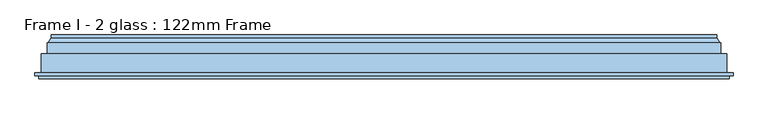
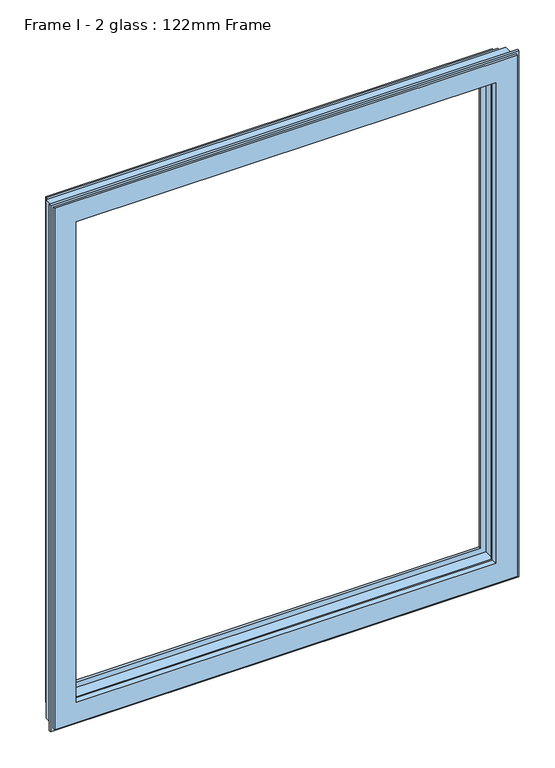
"""IFC4 building model written with IfcOpenShell, lengths in millimetres: window geometry, Frame I - 2 glass : 122mm Frame."""

from ifc_helpers import new_model, si_unit, frame, origin, place, context, project, spatial, polyline, ellipse_curve, source, transform, mapped, element, save
from ifc_brep_helpers import plane_surface, cylinder_surface, revolved_surface, advanced_brep


def frame_i_2_glass_122mm_frame_6008b08a(model_context):
    return source(origin(), model_context, "Body", "AdvancedBrep", [
        advanced_brep(
        [(43.2001533, 148.4070391, 2232.3998467), (43.2001533, 153.0, 2232.3998467), (43.2001533, 153.0, 867.6001533), (43.2001533, 148.4070391, 867.6001533), (1182.3998467, 153.0, 2232.3998467), (1182.3998467, 153.0, 867.6001533), (62.6368924, 153.0, 887.0368924), (1162.9631076, 153.0, 887.0368924), (1162.9631076, 153.0, 2212.9631076), (62.6368924, 153.0, 2212.9631076), (1182.3998467, 148.4070391, 867.6001533), (37.9260611, 139.5531262, 2237.6739389), (37.9260611, 139.5531262, 862.3260611), (1187.6739389, 139.5531262, 862.3260611), (36.0866045, 139.5531262, 2239.5133955), (1189.5133955, 139.5531262, 2239.5133955), (1189.5133955, 139.5531262, 860.4866045), (36.0866045, 139.5531262, 860.4866045), (1187.6739389, 139.5531262, 2237.6739389), (36.0866045, 121.0, 2239.5133955), (36.0866045, 121.0, 860.4866045), (1189.5133955, 121.0, 860.4866045), (26.0866045, 121.0, 2249.5133955), (1199.5133955, 121.0, 2249.5133955), (1199.5133955, 121.0, 850.4866045), (26.0866045, 121.0, 850.4866045), (1189.5133955, 121.0, 2239.5133955), (26.0866045, 88.5, 2249.5133955), (26.0866045, 88.5, 850.4866045), (1199.5133955, 88.5, 850.4866045), (15.3023, 88.5, 2260.2977), (1210.2976999, 88.5, 2260.2977), (1210.2976999, 88.5, 839.7023001), (15.3023, 88.5, 839.7023001), (1199.5133955, 88.5, 2249.5133955), (15.3023, 83.5, 2260.2977), (15.3023, 83.5, 839.7023001), (1210.2976999, 83.5, 839.7023001), (1210.2976999, 83.5, 2260.2977), (22.1, 83.5, 2253.5), (1203.5, 83.5, 2253.5), (1203.5, 83.5, 846.5), (22.1, 83.5, 846.5), (22.1, 78.0, 2253.5), (22.1, 78.0, 846.5), (1203.5, 78.0, 846.5), (1203.5, 78.0, 2253.5), (77.2842184, 78.0, 2198.3157816), (1148.3157816, 78.0, 2198.3157816), (1148.3157816, 78.0, 901.6842184), (77.2842184, 78.0, 901.6842184), (79.5996933, 88.8934531, 2196.0003067), (79.5996933, 88.8934531, 903.9996933), (1146.0003067, 88.8934531, 903.9996933), (79.5996933, 93.0, 2196.0003067), (79.5996933, 93.0, 903.9996933), (1146.0003067, 93.0, 903.9996933), (65.6, 93.0, 2210.0), (1160.0, 93.0, 2210.0), (1160.0, 93.0, 890.0), (65.6, 93.0, 890.0), (1146.0003067, 93.0, 2196.0003067), (65.6, 141.0, 2210.0), (65.6, 141.0, 890.0), (1160.0, 141.0, 890.0), (1160.0, 141.0, 2210.0), (80.0121514, 141.0, 2195.5878486), (1145.5878486, 141.0, 2195.5878486), (1145.5878486, 141.0, 904.4121514), (80.0121514, 141.0, 904.4121514), (76.3433832, 153.0, 2199.2566168), (76.3433832, 153.0, 900.7433832), (1149.2566168, 153.0, 900.7433832), (69.5650956, 153.0, 2206.0349044), (1156.0349044, 153.0, 2206.0349044), (1156.0349044, 153.0, 893.9650956), (69.5650956, 153.0, 893.9650956), (1149.2566168, 153.0, 2199.2566168), (68.2660575, 152.25, 2207.3339425), (68.2660575, 152.25, 892.6660575), (1157.3339425, 152.25, 892.6660575), (63.9359305, 152.25, 2211.6640695), (63.9359305, 152.25, 888.3359305), (1161.6640695, 152.25, 888.3359305), (1182.3998467, 148.4070391, 2232.3998467), (1146.0003067, 88.8934531, 2196.0003067), (1157.3339425, 152.25, 2207.3339425), (1161.6640695, 152.25, 2211.6640695)],
        [
            (0, 1),
            (1, 2),
            (2, 3),
            (3, 0),
            (1, 4),
            (4, 5),
            (5, 2),
            (6, 7),
            (7, 8),
            (8, 9),
            (9, 6),
            (5, 10),
            (10, 3),
            (11, 0),
            (3, 12),
            (12, 11),
            (10, 13),
            (13, 12),
            (14, 15),
            (15, 16),
            (16, 17),
            (17, 14),
            (13, 18),
            (18, 11),
            (19, 14),
            (17, 20),
            (20, 19),
            (16, 21),
            (21, 20),
            (22, 23),
            (23, 24),
            (24, 25),
            (25, 22),
            (21, 26),
            (26, 19),
            (27, 22),
            (25, 28),
            (28, 27),
            (24, 29),
            (29, 28),
            (30, 31),
            (31, 32),
            (32, 33),
            (33, 30),
            (29, 34),
            (34, 27),
            (35, 30),
            (33, 36),
            (36, 35),
            (32, 37),
            (37, 36),
            (37, 38),
            (38, 35),
            (39, 40),
            (40, 41),
            (41, 42),
            (42, 39),
            (43, 39),
            (42, 44),
            (44, 43),
            (41, 45),
            (45, 44),
            (45, 46),
            (46, 43),
            (47, 48),
            (48, 49),
            (49, 50),
            (50, 47),
            (51, 47),
            (50, 52),
            (52, 51),
            (49, 53),
            (53, 52),
            (54, 51),
            (52, 55),
            (55, 54),
            (53, 56),
            (56, 55),
            (57, 58),
            (58, 59),
            (59, 60),
            (60, 57),
            (56, 61),
            (61, 54),
            (62, 57),
            (60, 63),
            (63, 62),
            (59, 64),
            (64, 63),
            (64, 65),
            (65, 62),
            (66, 67),
            (67, 68),
            (68, 69),
            (69, 66),
            (70, 66),
            (69, 71),
            (71, 70),
            (68, 72),
            (72, 71),
            (73, 74),
            (74, 75),
            (75, 76),
            (76, 73),
            (72, 77),
            (77, 70),
            (78, 73, ellipse_curve(frame((69.5650956, 151.5, 2206.0349044), z_axis=(-0.7071067811865475, 0.0, -0.7071067811865475), x_axis=(-0.7071067811865474, 0.0, 0.7071067811865476)), 2.1213203, 1.5)),
            (76, 79, ellipse_curve(frame((69.5650956, 151.5, 893.9650956), z_axis=(-0.7071067811865475, 0.0, 0.7071067811865475), x_axis=(0.7071067811865474, 0.0, 0.7071067811865476)), 2.1213203, 1.5)),
            (79, 78),
            (75, 80, ellipse_curve(frame((1156.0349044, 151.5, 893.9650956), z_axis=(-0.7071067811865475, 0.0, -0.7071067811865475), x_axis=(-0.7071067811865476, 0.0, 0.7071067811865474)), 2.1213203, 1.5)),
            (80, 79),
            (81, 78, ellipse_curve(frame((66.100994, 153.5, 2209.499006), z_axis=(0.7071067811865475, 0.0, 0.7071067811865475), x_axis=(0.7071067811865474, 0.0, -0.7071067811865476)), 3.5355339, 2.5)),
            (79, 82, ellipse_curve(frame((66.100994, 153.5, 890.500994), z_axis=(0.7071067811865475, 0.0, -0.7071067811865475), x_axis=(-0.7071067811865474, 0.0, -0.7071067811865476)), 3.5355339, 2.5)),
            (82, 81),
            (80, 83, ellipse_curve(frame((1159.499006, 153.5, 890.500994), z_axis=(0.7071067811865475, 0.0, 0.7071067811865475), x_axis=(0.7071067811865476, 0.0, -0.7071067811865474)), 3.5355339, 2.5)),
            (83, 82),
            (9, 81, ellipse_curve(frame((62.6368924, 151.5, 2212.9631076), z_axis=(-0.7071067811865475, 0.0, -0.7071067811865475), x_axis=(-0.7071067811865474, 0.0, 0.7071067811865476)), 2.1213203, 1.5)),
            (82, 6, ellipse_curve(frame((62.6368924, 151.5, 887.0368924), z_axis=(-0.7071067811865475, 0.0, 0.7071067811865475), x_axis=(0.7071067811865474, 0.0, 0.7071067811865476)), 2.1213203, 1.5)),
            (83, 7, ellipse_curve(frame((1162.9631076, 151.5, 887.0368924), z_axis=(-0.7071067811865475, 0.0, -0.7071067811865475), x_axis=(-0.7071067811865476, 0.0, 0.7071067811865474)), 2.1213203, 1.5)),
            (4, 84),
            (84, 10),
            (84, 18),
            (15, 26),
            (23, 34),
            (31, 38),
            (40, 46),
            (48, 85),
            (85, 53),
            (85, 61),
            (58, 65),
            (67, 77),
            (74, 86, ellipse_curve(frame((1156.0349044, 151.5, 2206.0349044), z_axis=(0.7071067811865475, 0.0, -0.7071067811865475), x_axis=(-0.7071067811865474, 0.0, -0.7071067811865476)), 2.1213203, 1.5)),
            (86, 80),
            (86, 87, ellipse_curve(frame((1159.499006, 153.5, 2209.499006), z_axis=(-0.7071067811865475, 0.0, 0.7071067811865475), x_axis=(0.7071067811865474, 0.0, 0.7071067811865476)), 3.5355339, 2.5)),
            (87, 83),
            (87, 8, ellipse_curve(frame((1162.9631076, 151.5, 2212.9631076), z_axis=(0.7071067811865475, 0.0, -0.7071067811865475), x_axis=(-0.7071067811865474, 0.0, -0.7071067811865476)), 2.1213203, 1.5)),
            (0, 84),
            (51, 85),
            (78, 86),
            (81, 87),
        ],
        [
            plane_surface(frame((43.2001533, 153.0, 2232.3998467), z_axis=(-1.0, 0.0, 0.0), x_axis=(0.0, 0.0, -1.0))),
            plane_surface(frame((1162.9631076, 153.0, 2212.9631076), z_axis=(0.0, 1.0, 0.0), x_axis=(-1.0, 0.0, 0.0))),
            plane_surface(frame((43.2001533, 153.0, 867.6001533), z_axis=(0.0, 0.0, -1.0), x_axis=(1.0, 0.0, 0.0))),
            plane_surface(frame((43.2001533, 148.4070391, 2232.3998467), z_axis=(-0.8591262587254928, 0.5117636872310675, 0.0), x_axis=(0.0, 0.0, -1.0))),
            plane_surface(frame((43.2001533, 148.4070391, 867.6001533), z_axis=(0.0, 0.5117636872310675, -0.8591262587254928), x_axis=(1.0, 0.0, 0.0))),
            plane_surface(frame((1187.6739389, 139.5531262, 2237.6739389), z_axis=(0.0, 1.0, 0.0), x_axis=(-1.0, 0.0, 0.0))),
            plane_surface(frame((36.0866045, 139.5531262, 2239.5133955), z_axis=(-1.0, 0.0, 0.0), x_axis=(0.0, 0.0, -1.0))),
            plane_surface(frame((36.0866045, 139.5531262, 860.4866045), z_axis=(0.0, 0.0, -1.0), x_axis=(1.0, 0.0, 0.0))),
            plane_surface(frame((1189.5133955, 121.0, 2239.5133955), z_axis=(0.0, 1.0, 0.0), x_axis=(-1.0, 0.0, 0.0))),
            plane_surface(frame((26.0866045, 121.0, 2249.5133955), z_axis=(-1.0, 0.0, 0.0), x_axis=(0.0, 0.0, -1.0))),
            plane_surface(frame((26.0866045, 121.0, 850.4866045), z_axis=(0.0, 0.0, -1.0), x_axis=(1.0, 0.0, 0.0))),
            plane_surface(frame((1199.5133955, 88.5, 2249.5133955), z_axis=(0.0, 1.0, 0.0), x_axis=(-1.0, 0.0, 0.0))),
            plane_surface(frame((15.3023, 88.5, 2260.2977), z_axis=(-1.0, 0.0, 0.0), x_axis=(0.0, 0.0, -1.0))),
            plane_surface(frame((15.3023, 88.5, 839.7023001), z_axis=(0.0, 0.0, -1.0), x_axis=(1.0, 0.0, 0.0))),
            plane_surface(frame((1210.2976999, 83.5, 2260.2977), z_axis=(0.0, -1.0, 0.0), x_axis=(-1.0, 0.0, 0.0))),
            plane_surface(frame((22.1, 83.5, 2253.5), z_axis=(-1.0, 0.0, 0.0), x_axis=(0.0, 0.0, -1.0))),
            plane_surface(frame((22.1, 83.5, 846.5), z_axis=(0.0, 0.0, -1.0), x_axis=(1.0, 0.0, 0.0))),
            plane_surface(frame((1203.5, 78.0, 2253.5), z_axis=(0.0, -1.0, 0.0), x_axis=(-1.0, 0.0, 0.0))),
            plane_surface(frame((77.2842184, 78.0, 2198.3157816), z_axis=(0.9781476007338059, -0.20791169081775832, 0.0), x_axis=(0.0, 0.0, -1.0))),
            plane_surface(frame((77.2842184, 78.0, 901.6842184), z_axis=(0.0, -0.20791169081775832, 0.9781476007338059), x_axis=(1.0, 0.0, 0.0))),
            plane_surface(frame((79.5996933, 88.8934531, 2196.0003067), z_axis=(1.0, 0.0, 0.0), x_axis=(0.0, 0.0, -1.0))),
            plane_surface(frame((79.5996933, 88.8934531, 903.9996933), z_axis=(0.0, 0.0, 1.0), x_axis=(1.0, 0.0, 0.0))),
            plane_surface(frame((1146.0003067, 93.0, 2196.0003067), z_axis=(0.0, 1.0, 0.0), x_axis=(-1.0, 0.0, 0.0))),
            plane_surface(frame((65.6, 93.0, 2210.0), z_axis=(1.0, 0.0, 0.0), x_axis=(0.0, 0.0, -1.0))),
            plane_surface(frame((65.6, 93.0, 890.0), z_axis=(0.0, 0.0, 1.0), x_axis=(1.0, 0.0, 0.0))),
            plane_surface(frame((1160.0, 141.0, 2210.0), z_axis=(0.0, -1.0, 0.0), x_axis=(-1.0, 0.0, 0.0))),
            plane_surface(frame((80.0121514, 141.0, 2195.5878486), z_axis=(0.9563047559629769, 0.2923717047229284, 0.0), x_axis=(0.0, 0.0, -1.0))),
            plane_surface(frame((80.0121514, 141.0, 904.4121514), z_axis=(0.0, 0.2923717047229284, 0.9563047559629769), x_axis=(1.0, 0.0, 0.0))),
            plane_surface(frame((1149.2566168, 153.0, 2199.2566168), z_axis=(0.0, 1.0, 0.0), x_axis=(-1.0, 0.0, 0.0))),
            cylinder_surface(frame((69.5650956, 151.5, 2237.6), z_axis=(0.0, 0.0, 1.0), x_axis=(0.0, 1.0, 0.0)), 1.5),
            cylinder_surface(frame((38.0, 151.5, 893.9650956), z_axis=(-1.0, 0.0, 0.0), x_axis=(0.0, 1.0, 0.0)), 1.5),
            revolved_surface(polyline([(66.100994, 156.0, 888.000994004195), (66.100994, 156.0, 2211.999005995805)]), (66.100994, 153.5, 2237.6), (0.0, 0.0, -1.0)),
            revolved_surface(polyline([(1161.999005995805, 156.0, 890.500994), (63.60099400419508, 156.0, 890.500994)]), (38.0, 153.5, 890.500994), (1.0, 0.0, 0.0)),
            cylinder_surface(frame((62.6368924, 151.5, 2237.6), z_axis=(0.0, 0.0, 1.0), x_axis=(0.0, 1.0, 0.0)), 1.5),
            cylinder_surface(frame((38.0, 151.5, 887.0368924), z_axis=(-1.0, 0.0, 0.0), x_axis=(0.0, 1.0, 0.0)), 1.5),
            plane_surface(frame((1182.3998467, 153.0, 867.6001533), z_axis=(1.0, 0.0, 0.0), x_axis=(0.0, 0.0, 1.0))),
            plane_surface(frame((1182.3998467, 148.4070391, 867.6001533), z_axis=(0.8591262587254928, 0.5117636872310675, 0.0), x_axis=(0.0, 0.0, 1.0))),
            plane_surface(frame((1189.5133955, 139.5531262, 860.4866045), z_axis=(1.0, 0.0, 0.0), x_axis=(0.0, 0.0, 1.0))),
            plane_surface(frame((1199.5133955, 121.0, 850.4866045), z_axis=(1.0, 0.0, 0.0), x_axis=(0.0, 0.0, 1.0))),
            plane_surface(frame((1210.2976999, 88.5, 839.7023001), z_axis=(1.0, 0.0, 0.0), x_axis=(0.0, 0.0, 1.0))),
            plane_surface(frame((1203.5, 83.5, 846.5), z_axis=(1.0, 0.0, 0.0), x_axis=(0.0, 0.0, 1.0))),
            plane_surface(frame((1148.3157816, 78.0, 901.6842184), z_axis=(-0.9781476007338059, -0.20791169081775832, 0.0), x_axis=(0.0, 0.0, 1.0))),
            plane_surface(frame((1146.0003067, 88.8934531, 903.9996933), z_axis=(-1.0, 0.0, 0.0), x_axis=(0.0, 0.0, 1.0))),
            plane_surface(frame((1160.0, 93.0, 890.0), z_axis=(-1.0, 0.0, 0.0), x_axis=(0.0, 0.0, 1.0))),
            plane_surface(frame((1145.5878486, 141.0, 904.4121514), z_axis=(-0.9563047559629769, 0.2923717047229284, 0.0), x_axis=(0.0, 0.0, 1.0))),
            cylinder_surface(frame((1156.0349044, 151.5, 862.4), z_axis=(0.0, 0.0, -1.0), x_axis=(0.0, 1.0, 0.0)), 1.5),
            revolved_surface(polyline([(1159.499006, 156.0, 2211.999005995805), (1159.499006, 156.0, 888.000994004195)]), (1159.499006, 153.5, 862.4), (0.0, 0.0, 1.0)),
            cylinder_surface(frame((1162.9631076, 151.5, 862.4), z_axis=(0.0, 0.0, -1.0), x_axis=(0.0, 1.0, 0.0)), 1.5),
            plane_surface(frame((1182.3998467, 153.0, 2232.3998467), z_axis=(0.0, 0.0, 1.0), x_axis=(-1.0, 0.0, 0.0))),
            plane_surface(frame((1182.3998467, 148.4070391, 2232.3998467), z_axis=(0.0, 0.5117636872310675, 0.8591262587254928), x_axis=(-1.0, 0.0, 0.0))),
            plane_surface(frame((1189.5133955, 139.5531262, 2239.5133955), z_axis=(0.0, 0.0, 1.0), x_axis=(-1.0, 0.0, 0.0))),
            plane_surface(frame((1199.5133955, 121.0, 2249.5133955), z_axis=(0.0, 0.0, 1.0), x_axis=(-1.0, 0.0, 0.0))),
            plane_surface(frame((1210.2976999, 88.5, 2260.2977), z_axis=(0.0, 0.0, 1.0), x_axis=(-1.0, 0.0, 0.0))),
            plane_surface(frame((1203.5, 83.5, 2253.5), z_axis=(0.0, 0.0, 1.0), x_axis=(-1.0, 0.0, 0.0))),
            plane_surface(frame((1148.3157816, 78.0, 2198.3157816), z_axis=(0.0, -0.20791169081775832, -0.9781476007338059), x_axis=(-1.0, 0.0, 0.0))),
            plane_surface(frame((1146.0003067, 88.8934531, 2196.0003067), z_axis=(0.0, 0.0, -1.0), x_axis=(-1.0, 0.0, 0.0))),
            plane_surface(frame((1160.0, 93.0, 2210.0), z_axis=(0.0, 0.0, -1.0), x_axis=(-1.0, 0.0, 0.0))),
            plane_surface(frame((1145.5878486, 141.0, 2195.5878486), z_axis=(0.0, 0.2923717047229284, -0.9563047559629769), x_axis=(-1.0, 0.0, 0.0))),
            cylinder_surface(frame((1187.6, 151.5, 2206.0349044), z_axis=(1.0, 0.0, 0.0), x_axis=(0.0, 1.0, 0.0)), 1.5),
            revolved_surface(polyline([(63.600994004194945, 156.0, 2209.499006), (1161.999005995805, 156.0, 2209.499006)]), (1187.6, 153.5, 2209.499006), (-1.0, 0.0, 0.0)),
            cylinder_surface(frame((1187.6, 151.5, 2212.9631076), z_axis=(1.0, 0.0, 0.0), x_axis=(0.0, 1.0, 0.0)), 1.5),
        ],
        [
            (0, [[1, 2, 3, 4]]),
            (1, [[5, 6, 7, -2], [8, 9, 10, 11]]),
            (2, [[-3, -7, 12, 13]]),
            (3, [[14, -4, 15, 16]]),
            (4, [[-15, -13, 17, 18]]),
            (5, [[19, 20, 21, 22], [-18, 23, 24, -16]]),
            (6, [[25, -22, 26, 27]]),
            (7, [[-26, -21, 28, 29]]),
            (8, [[30, 31, 32, 33], [-29, 34, 35, -27]]),
            (9, [[36, -33, 37, 38]]),
            (10, [[-37, -32, 39, 40]]),
            (11, [[41, 42, 43, 44], [-40, 45, 46, -38]]),
            (12, [[47, -44, 48, 49]]),
            (13, [[-48, -43, 50, 51]]),
            (14, [[-51, 52, 53, -49], [54, 55, 56, 57]]),
            (15, [[58, -57, 59, 60]]),
            (16, [[-59, -56, 61, 62]]),
            (17, [[-62, 63, 64, -60], [65, 66, 67, 68]]),
            (18, [[69, -68, 70, 71]]),
            (19, [[-70, -67, 72, 73]]),
            (20, [[74, -71, 75, 76]]),
            (21, [[-75, -73, 77, 78]]),
            (22, [[79, 80, 81, 82], [-78, 83, 84, -76]]),
            (23, [[85, -82, 86, 87]]),
            (24, [[-86, -81, 88, 89]]),
            (25, [[-89, 90, 91, -87], [92, 93, 94, 95]]),
            (26, [[96, -95, 97, 98]]),
            (27, [[-97, -94, 99, 100]]),
            (28, [[101, 102, 103, 104], [-100, 105, 106, -98]]),
            (29, [[107, -104, 108, 109]]),
            (30, [[-108, -103, 110, 111]]),
            (31, [[112, -109, 113, 114]]),
            (32, [[-113, -111, 115, 116]]),
            (33, [[117, -114, 118, -11]]),
            (34, [[-118, -116, 119, -8]]),
            (35, [[-12, -6, 120, 121]]),
            (36, [[-17, -121, 122, -23]]),
            (37, [[-28, -20, 123, -34]]),
            (38, [[-39, -31, 124, -45]]),
            (39, [[-50, -42, 125, -52]]),
            (40, [[-61, -55, 126, -63]]),
            (41, [[-72, -66, 127, 128]]),
            (42, [[-77, -128, 129, -83]]),
            (43, [[-88, -80, 130, -90]]),
            (44, [[-99, -93, 131, -105]]),
            (45, [[-110, -102, 132, 133]]),
            (46, [[-115, -133, 134, 135]]),
            (47, [[-119, -135, 136, -9]]),
            (48, [[-120, -5, -1, 137]]),
            (49, [[-122, -137, -14, -24]]),
            (50, [[-123, -19, -25, -35]]),
            (51, [[-124, -30, -36, -46]]),
            (52, [[-125, -41, -47, -53]]),
            (53, [[-126, -54, -58, -64]]),
            (54, [[-127, -65, -69, 138]]),
            (55, [[-129, -138, -74, -84]]),
            (56, [[-130, -79, -85, -91]]),
            (57, [[-131, -92, -96, -106]]),
            (58, [[-132, -101, -107, 139]]),
            (59, [[-134, -139, -112, 140]]),
            (60, [[-136, -140, -117, -10]]),
        ],
    ),
    ])


if __name__ == "__main__":
    model = new_model("IFC4")
    model_context = context("Model", 3, world=origin())
    ifc_project = project(units=[si_unit("LENGTHUNIT", "METRE", prefix="MILLI")], contexts=[model_context])
    site = spatial("IfcSite", under=ifc_project)
    building = spatial("IfcBuilding", under=site)
    placement = place(None, origin())
    frame_i_2_glass_122mm_frame_shape = frame_i_2_glass_122mm_frame_6008b08a(model_context)
    element("IfcWindow", 1, ObjectType="Frame I - 2 glass : 122mm Frame", at=placement, inside=building, context=model_context, shape_type="MappedRepresentation", body=[
        mapped(frame_i_2_glass_122mm_frame_shape, transform((0.0, 0.0, 0.0), x_axis=(1.0, 0.0, 0.0), y_axis=(0.0, 1.0, 0.0), z_axis=(0.0, 0.0, 1.0))),
    ])
    save(model, "model.ifc")
